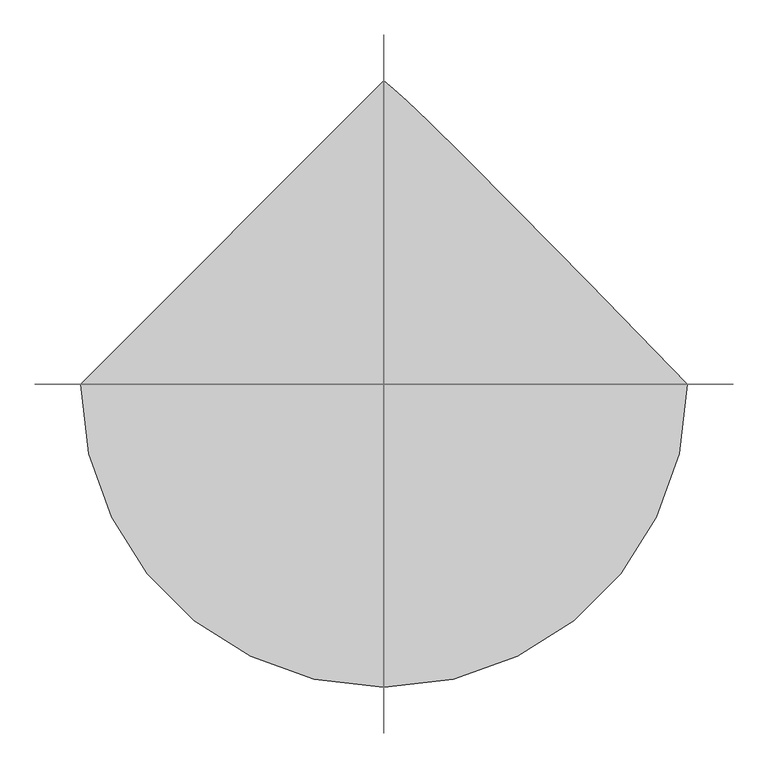
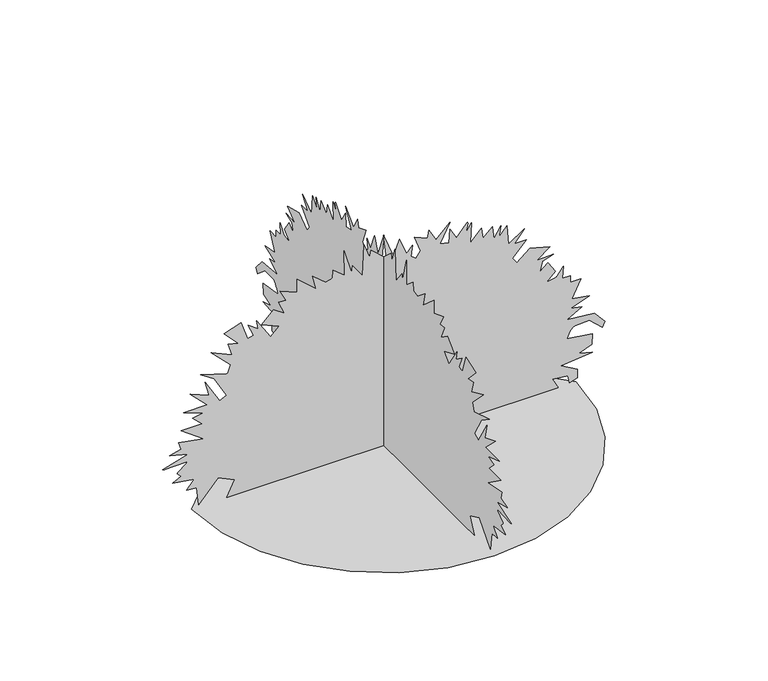
"""IFC4 building model written with IfcOpenShell, lengths in millimetres: geographic element geometry."""

from ifc_helpers import new_model, si_unit, origin, place, context, project, spatial, triangles, source, transform, mapped, element, save


def geographic_element_a9d7c324(model_context):
    return source(origin(), model_context, "Body", "Tessellation", [
        triangles([(-863.8895657, 0.0, 8.03e-05), (-841.0534595, -197.9465477, 8.03e-05), (-776.008956, -379.7280936, 8.03e-05), (-673.9672194, -540.1393415, 8.03e-05), (-540.1393415, -673.9672194, 8.03e-05), (-379.7280936, -776.008956, 8.03e-05), (-197.9465477, -841.0534595, 8.03e-05), (3.78e-05, -863.8895657, 8.03e-05), (197.9468202, -841.0534595, 8.03e-05), (379.7280936, -776.008956, 8.03e-05), (540.1393415, -673.9672194, 8.03e-05), (673.9672194, -540.1393415, 8.03e-05), (776.008956, -379.7280936, 8.03e-05), (841.0534595, -197.9465477, 8.03e-05), (863.8895657, 7.55e-05, 8.03e-05), (583.1449287, 287.9752275, 8.03e-05), (375.0142098, 500.0004035, 8.03e-05), (227.3965669, 648.7311144, 8.03e-05), (128.1887144, 746.8256355, 8.03e-05), (65.288107, 806.9450764, 8.03e-05), (26.592799, 841.7478939, 8.03e-05), (-0.0001133, 863.8895657, 8.03e-05), (-3.9e-06, -706.4477949, 3.2e-06), (1.1e-06, -671.7338528, 73.0758902), (0.0, -744.6339088, 107.8284201), (0.0, -831.4201086, 10.6268143), (0.0, -841.8367693, 93.9425762), (0.0, -886.9646107, 97.4139668), (0.0, -852.2506685, 139.0717801), (0.0, -949.4507675, 152.9579056), (0.0, -911.2646536, 173.7868123), (0.0, -928.6229691, 191.1443284), (2e-07, -926.3202026, 195.0482144), (-1e-07, -885.9451962, 227.4137897), (0.0, -883.4923662, 232.8021236), (3e-07, -987.8563448, 230.2871245), (0.0, -994.5813704, 232.8021236), (0.0, -880.0229559, 267.5168833), (0.0, -963.3369112, 288.3446817), (0.0, -911.2646536, 302.2308073), (0.0, -921.6785528, 336.9474927), (0.0, -810.5923101, 316.1169328), (0.0, -911.2646536, 389.0197503), (0.0, -817.5339649, 389.0197503), (0.0, -859.192396, 430.6781087), (0.0, -810.5923101, 441.0920079), (0.0, -900.8507544, 472.3337056), (0.0, -793.2339947, 472.3337056), (0.0, -869.6062225, 548.7087676), (0.0, -786.2922672, 513.992064), (0.0, -803.6506554, 583.4227098), (0.0, -737.6894926, 472.3337056), (0.0, -706.4477949, 486.2198493), (0.0, -761.992297, 583.4227098), (0.0, -824.4784538, 625.0810318), (0.0, -702.9755505, 586.8949179), (0.0, -689.0894794, 625.0810318), (0.0, -775.8784407, 711.8672316), (0.0, -682.147752, 670.2088732), (0.0, -699.5061401, 725.7533752), (0.0, -654.3755373, 715.339476), (0.0, -716.8616941, 781.2978773), (0.0, -640.4893936, 809.070092), (0.0, -612.7171789, 722.2811308), (0.0, -584.9449279, 729.2256197), (0.0, -609.2449345, 784.7672876), (0.0, -564.1171294, 753.5255899), (7e-07, -571.0587842, 792.0756351), (0.0, -508.5726274, 694.5089161), (0.0, -470.3864771, 732.69503), (0.0, -550.2309857, 767.4117336), (0.0, -494.68652, 819.4839912), (0.0, -446.0864705, 784.7672876), (0.0, -473.8587215, 847.2562059), (0.0, -439.1420179, 843.7840342), (0.0, -466.914269, 895.8562918), (0.0, -390.5419684, 864.6118326), (0.0, -390.5419684, 927.1007509), (0.0, -303.755805, 850.7256889), (0.0, -321.111359, 916.6840902), (0.0, -262.097156, 868.0840044), (0.0, -230.8540775, 875.0284933), (0.0, -227.3821238, 913.2146072), (0.0, -175.3098661, 871.5562489), (0.0, -178.7818199, 989.5869078), (0.0, -144.0667786, 871.5562489), (0.0, -140.5951155, 902.7979465), (0.0, -95.46563, 840.3117897), (0.0, -88.5228488, 986.1146633), (0.0, -64.2222745, 916.6840902), (0.0, -57.2794888, 947.9285494), (0.0, 12.1501214, 885.4423925), (0.0, -1.7355514, 1000.000807), (0.0, 43.393922, 885.4423925), (0.0, 71.1656143, 954.8702042), (0.0, 102.4089744, 875.0284933), (0.0, 130.1809347, 906.270191), (0.0, 123.237881, 857.6701052), (0.0, 144.0670602, 840.3117897), (0.0, 164.8959669, 868.0840044), (0.0, 137.1239975, 940.9868946), (0.0, 196.1393178, 916.6840902), (0.0, 203.0818265, 951.4007938), (0.0, 234.3257406, 895.8562918), (0.0, 296.8113524, 958.3424486), (0.0, 251.6829842, 871.5562489), (0.0, 293.3419058, 861.1423496), (0.0, 296.8113524, 923.6285065), (0.0, 328.0558116, 871.5562489), (0.0, 374.4502908, 928.3341059), (0.0, 377.0003168, 928.1229996), (0.0, 377.7308681, 923.8090914), (0.0, 369.71417, 881.9701481), (0.0, 394.0142129, 920.1563347), (0.0, 390.5419684, 826.425646), (0.0, 439.1448157, 878.4979036), (0.0, 446.0864705, 829.8978905), (0.0, 487.7448289, 868.0840044), (0.0, 494.68652, 809.070092), (0.0, 525.9309792, 861.1423496), (0.0, 518.9865266, 809.070092), (0.0, 553.7032302, 850.7256889), (0.0, 560.644885, 760.4672447), (0.0, 633.5477388, 809.070092), (0.0, 588.417136, 753.5255899), (0.0, 640.4893936, 753.5255899), (0.0, 578.0032368, 687.5671886), (0.0, 598.8310352, 659.7949739), (0.0, 657.8477818, 708.3949871), (0.0, 748.1061533, 684.0950169), (0.0, 689.0894794, 638.9671755), (0.0, 761.992297, 642.4366585), (0.0, 713.3922112, 625.0810318), (0.0, 702.9755505, 579.9504653), (0.0, 737.6922541, 611.1949608), (0.0, 772.4061962, 559.1226668), (0.0, 730.7478378, 520.9365166), (0.0, 775.8784407, 527.8782077), (0.0, 807.1200657, 569.5365661), (0.0, 803.6506554, 513.992064), (0.0, 838.3645975, 513.992064), (0.0, 838.3645975, 482.7504026), (0.0, 886.9646107, 482.7504026), (0.0, 845.3062523, 402.905894), (0.0, 925.1507246, 389.0197503), (0.0, 841.8367693, 357.7752912), (0.0, 890.4368551, 347.3613919), (0.0, 824.4784538, 309.1752417), (0.0, 945.9812845, 298.7613606), (0.0, 994.5813704, 243.216586), (0.0, 984.1674711, 218.9160162), (0.0, 925.1507246, 270.9882739), (0.0, 858.8201077, 269.4702161), (0.0, 850.034016, 265.2193854), (0.0, 842.9201334, 258.6913137), (0.0, 837.1395996, 250.3415872), (0.0, 832.3617662, 240.6254651), (0.0, 828.2534414, 229.9985157), (0.0, 824.4784538, 218.9160162), (0.0, 939.0368683, 201.5587727), (0.0, 935.567458, 152.9579056), (0.0, 876.5507114, 132.1289989), (0.0, 939.0368683, 114.7714828), (0.0, 796.7061665, 100.8856389), (0.0, 869.6090567, 59.2275485), (0.0, 869.6090567, 17.5697919), (0.0, 834.8923531, 7.1553392), (0.0, 827.9506983, 41.8703095), (0.0, 758.5200525, 48.8130952), (0.0, 786.2922672, 0.2123593), (-706.4477949, 0.0001301, 0.0), (-671.7338528, 0.0001207, 73.0758902), (-744.6339088, 0.0001197, 107.8284201), (-831.4201086, 0.0001255, 10.6268143), (-841.8367693, 0.0001206, 93.9425762), (-886.9646107, 0.0001204, 97.4139668), (-852.2506685, 0.0001179, 139.0717801), (-949.4507675, 0.000117, 152.9579056), (-911.2646536, 0.0001158, 173.7868123), (-928.6229691, 0.0001148, 191.1443284), (-926.3202026, 0.0001143, 195.0482144), (-885.9451962, 0.0001127, 227.4137897), (-883.4923662, 0.0001123, 232.8021236), (-987.8563448, 0.0001122, 230.2871245), (-994.5813704, 0.0001123, 232.8021236), (-880.0229559, 0.0001102, 267.5168833), (-963.3369112, 0.000109, 288.3446817), (-911.2646536, 0.0001082, 302.2308073), (-921.6785528, 0.0001061, 336.9474927), (-810.5923101, 0.0001073, 316.1169328), (-911.2646536, 0.000103, 389.0197503), (-817.5339649, 0.000103, 389.0197503), (-859.192396, 0.0001005, 430.6781087), (-810.5923101, 9.99e-05, 441.0920079), (-900.8507544, 9.8e-05, 472.3337056), (-793.2339947, 9.8e-05, 472.3337056), (-869.6062225, 9.35e-05, 548.7060061), (-786.2922672, 9.55e-05, 513.992064), (-803.6506554, 9.14e-05, 583.4227098), (-737.6922541, 9.8e-05, 472.3337056), (-706.4477949, 9.72e-05, 486.2198493), (-761.992297, 9.14e-05, 583.4227098), (-824.4784538, 8.89e-05, 625.0810318), (-702.9755505, 9.12e-05, 586.8949179), (-689.0894794, 8.89e-05, 625.0810318), (-775.8784407, 8.37e-05, 711.8672316), (-682.147752, 8.62e-05, 670.2088732), (-699.5061401, 8.29e-05, 725.7533752), (-654.3755373, 8.35e-05, 715.339476), (-716.8616941, 7.96e-05, 781.2978773), (-640.4893936, 7.79e-05, 809.070092), (-612.7171789, 8.31e-05, 722.2811308), (-584.9449279, 8.27e-05, 729.2256197), (-609.2449345, 7.94e-05, 784.7672876), (-564.1171294, 8.13e-05, 753.5255899), (-571.0587842, 7.83e-05, 792.0756351), (-508.5726274, 8.48e-05, 694.5089161), (-470.3864771, 8.25e-05, 732.69503), (-550.2309857, 8.04e-05, 767.4117336), (-494.68652, 7.73e-05, 819.4839912), (-446.0864705, 7.94e-05, 784.7672876), (-473.8587215, 7.57e-05, 847.2562059), (-439.1448157, 7.59e-05, 843.7840342), (-466.914269, 7.28e-05, 895.8562918), (-390.5419684, 7.46e-05, 864.6118326), (-390.5419684, 7.09e-05, 927.1007509), (-303.755805, 7.55e-05, 850.7256889), (-321.111359, 7.15e-05, 916.6840902), (-262.097156, 7.44e-05, 868.0840044), (-230.8540775, 7.4e-05, 875.0284933), (-227.3824144, 7.17e-05, 913.2146072), (-175.3098661, 7.42e-05, 871.5562489), (-178.7818199, 6.72e-05, 989.5869078), (-144.0670602, 7.42e-05, 871.5562489), (-140.5951155, 7.24e-05, 902.7979465), (-95.4659116, 7.61e-05, 840.3117897), (-88.5228488, 6.74e-05, 986.1146633), (-64.2225516, 7.15e-05, 916.6840902), (-57.2797704, 6.97e-05, 947.9285494), (12.1500101, 7.34e-05, 885.4423925), (-1.7356514, 6.66e-05, 1000.000807), (43.3936449, 7.34e-05, 885.4423925), (71.1656143, 6.93e-05, 954.8702042), (102.4089744, 7.4e-05, 875.0284933), (130.1809347, 7.21e-05, 906.270191), (123.237881, 7.5e-05, 857.6701052), (144.0667786, 7.61e-05, 840.3117897), (164.8956944, 7.44e-05, 868.0840044), (137.1239975, 7.01e-05, 940.9840605), (196.1390453, 7.15e-05, 916.6840902), (203.0818265, 6.95e-05, 951.4007938), (234.3254681, 7.28e-05, 895.8562918), (296.8113524, 6.9e-05, 958.3424486), (251.6829842, 7.42e-05, 871.5562489), (293.3419058, 7.48e-05, 861.1423496), (296.8113524, 7.11e-05, 923.6285065), (328.0558116, 7.42e-05, 871.5562489), (374.4502908, 7.08e-05, 928.3341059), (377.0003168, 7.08e-05, 928.1229996), (377.7280704, 7.11e-05, 923.8090914), (369.71417, 7.36e-05, 881.9701481), (394.0142129, 7.13e-05, 920.1563347), (390.5419684, 7.69e-05, 826.425646), (439.1420179, 7.38e-05, 878.4979036), (446.0864705, 7.67e-05, 829.8978905), (487.7448289, 7.44e-05, 868.0840044), (494.68652, 7.79e-05, 809.070092), (525.9309792, 7.48e-05, 861.1423496), (518.9865266, 7.79e-05, 809.070092), (553.7032302, 7.55e-05, 850.7256889), (560.644885, 8.08e-05, 760.4672447), (633.5477388, 7.79e-05, 809.070092), (588.417136, 8.13e-05, 753.5255899), (640.4893936, 8.13e-05, 753.5255899), (578.0032368, 8.52e-05, 687.5671886), (598.8310352, 8.68e-05, 659.7949739), (657.8477818, 8.39e-05, 708.3949871), (748.1061533, 8.54e-05, 684.0950169), (689.0894794, 8.81e-05, 638.9671755), (761.992297, 8.79e-05, 642.4366585), (713.3922112, 8.89e-05, 625.0810318), (702.9755505, 9.16e-05, 579.9504653), (737.6922541, 8.97e-05, 611.1949608), (772.4061962, 9.28e-05, 559.1226668), (730.7478378, 9.51e-05, 520.9365166), (775.8784407, 9.47e-05, 527.8782077), (807.1200657, 9.22e-05, 569.5365661), (803.6506554, 9.55e-05, 513.992064), (838.3645975, 9.55e-05, 513.992064), (838.3645975, 9.74e-05, 482.7504026), (886.9646107, 9.74e-05, 482.7504026), (845.3062523, 0.0001022, 402.905894), (925.1507246, 0.000103, 389.0197503), (841.8367693, 0.0001048, 357.7752912), (890.4368551, 0.0001055, 347.3613919), (824.4784538, 0.0001077, 309.1752417), (945.9812845, 0.0001084, 298.7613606), (994.5813704, 0.0001117, 243.216586), (984.1674711, 0.0001131, 218.9160162), (925.1507246, 0.00011, 270.9882739), (858.8201077, 0.0001101, 269.4702161), (850.034016, 0.0001104, 265.2193854), (842.9201334, 0.0001107, 258.6913137), (837.1395996, 0.0001112, 250.3415872), (832.3617662, 0.0001118, 240.6254651), (828.2534414, 0.0001125, 229.9985157), (824.4784538, 0.0001131, 218.9160162), (939.0368683, 0.0001142, 201.5585001), (935.567458, 0.000117, 152.9579056), (876.5507114, 0.0001183, 132.1289989), (939.0368683, 0.0001193, 114.7714828), (796.7061665, 0.0001202, 100.8853573), (869.6090567, 0.0001226, 59.2275485), (869.6090567, 0.0001251, 17.5697919), (834.8923531, 0.0001257, 7.1553392), (827.9506983, 0.0001237, 41.8703095), (758.5200525, 0.0001233, 48.8130952), (786.2922672, 0.0001262, 0.2123563)], [[21, 22, 1], [20, 21, 1], [19, 20, 1], [18, 19, 1], [17, 18, 1], [17, 1, 2], [17, 2, 3], [17, 3, 4], [16, 17, 4], [16, 4, 5], [16, 5, 6], [16, 6, 7], [16, 7, 8], [16, 8, 9], [16, 9, 10], [16, 10, 11], [16, 11, 12], [15, 16, 12], [14, 15, 12], [13, 14, 12], [92, 93, 94], [84, 85, 86], [54, 55, 56], [50, 51, 52], [131, 132, 133], [123, 124, 125], [104, 105, 106], [46, 47, 48], [57, 58, 59], [88, 89, 90], [48, 49, 50], [67, 68, 69], [119, 120, 121], [162, 163, 164], [38, 39, 40], [113, 114, 115], [144, 145, 146], [65, 66, 67], [138, 139, 140], [96, 97, 98], [107, 108, 109], [79, 80, 81], [42, 43, 44], [29, 30, 31], [36, 37, 38], [75, 76, 77], [102, 103, 104], [146, 147, 148], [86, 87, 88], [94, 95, 96], [121, 122, 123], [125, 126, 127], [100, 101, 102], [77, 78, 79], [25, 26, 27], [115, 116, 117], [129, 130, 131], [117, 118, 119], [27, 28, 29], [82, 83, 84], [44, 45, 46], [48, 50, 52], [59, 60, 61], [169, 170, 23], [73, 74, 75], [90, 91, 92], [142, 143, 144], [40, 41, 42], [38, 40, 42], [169, 23, 24], [53, 54, 56], [61, 62, 63], [61, 63, 64], [70, 71, 72], [70, 72, 73], [150, 151, 152], [149, 150, 152], [148, 149, 152], [148, 152, 153], [128, 129, 131], [148, 153, 154], [35, 36, 38], [134, 135, 136], [134, 136, 137], [65, 67, 69], [166, 167, 168], [165, 166, 168], [164, 165, 168], [164, 168, 169], [88, 90, 92], [140, 141, 142], [100, 102, 104], [159, 160, 161], [159, 161, 162], [25, 27, 29], [123, 125, 127], [148, 154, 155], [100, 104, 106], [110, 111, 112], [109, 110, 112], [109, 112, 113], [109, 113, 115], [31, 32, 33], [131, 133, 134], [159, 162, 164], [128, 131, 134], [46, 48, 52], [73, 75, 77], [73, 77, 79], [29, 31, 33], [29, 33, 34], [44, 46, 52], [148, 155, 156], [164, 169, 24], [159, 164, 24], [158, 159, 24], [157, 158, 24], [156, 157, 24], [148, 156, 24], [146, 148, 24], [144, 146, 24], [142, 144, 24], [140, 142, 24], [138, 140, 24], [137, 138, 24], [134, 137, 24], [128, 134, 24], [127, 128, 24], [123, 127, 24], [121, 123, 24], [119, 121, 24], [117, 119, 24], [115, 117, 24], [109, 115, 24], [107, 109, 24], [106, 107, 24], [106, 24, 25], [106, 25, 29], [106, 29, 34], [106, 34, 35], [106, 35, 38], [106, 38, 42], [106, 42, 44], [106, 44, 52], [106, 52, 53], [106, 53, 56], [99, 100, 106], [99, 106, 56], [99, 56, 57], [98, 99, 57], [96, 98, 57], [94, 96, 57], [59, 61, 64], [57, 59, 64], [70, 73, 79], [64, 65, 69], [57, 64, 69], [94, 57, 69], [84, 86, 88], [88, 92, 94], [88, 94, 69], [88, 69, 70], [88, 70, 79], [84, 88, 79], [82, 84, 79], [82, 79, 81], [240, 241, 242], [232, 233, 234], [202, 203, 204], [198, 199, 200], [279, 280, 281], [271, 272, 273], [252, 253, 254], [194, 195, 196], [205, 206, 207], [236, 237, 238], [196, 197, 198], [215, 216, 217], [267, 268, 269], [310, 311, 312], [186, 187, 188], [261, 262, 263], [292, 293, 294], [213, 214, 215], [286, 287, 288], [244, 245, 246], [255, 256, 257], [227, 228, 229], [190, 191, 192], [177, 178, 179], [184, 185, 186], [223, 224, 225], [250, 251, 252], [294, 295, 296], [234, 235, 236], [242, 243, 244], [269, 270, 271], [273, 274, 275], [248, 249, 250], [225, 226, 227], [173, 174, 175], [263, 264, 265], [277, 278, 279], [265, 266, 267], [175, 176, 177], [230, 231, 232], [192, 193, 194], [196, 198, 200], [207, 208, 209], [317, 318, 171], [221, 222, 223], [238, 239, 240], [290, 291, 292], [188, 189, 190], [186, 188, 190], [317, 171, 172], [201, 202, 204], [209, 210, 211], [209, 211, 212], [218, 219, 220], [218, 220, 221], [298, 299, 300], [297, 298, 300], [296, 297, 300], [296, 300, 301], [276, 277, 279], [296, 301, 302], [183, 184, 186], [282, 283, 284], [282, 284, 285], [213, 215, 217], [314, 315, 316], [313, 314, 316], [312, 313, 316], [312, 316, 317], [236, 238, 240], [288, 289, 290], [248, 250, 252], [307, 308, 309], [307, 309, 310], [173, 175, 177], [271, 273, 275], [296, 302, 303], [248, 252, 254], [258, 259, 260], [257, 258, 260], [257, 260, 261], [257, 261, 263], [179, 180, 181], [279, 281, 282], [307, 310, 312], [276, 279, 282], [194, 196, 200], [221, 223, 225], [221, 225, 227], [177, 179, 181], [177, 181, 182], [192, 194, 200], [296, 303, 304], [312, 317, 172], [307, 312, 172], [306, 307, 172], [305, 306, 172], [304, 305, 172], [296, 304, 172], [294, 296, 172], [292, 294, 172], [290, 292, 172], [288, 290, 172], [286, 288, 172], [285, 286, 172], [282, 285, 172], [276, 282, 172], [275, 276, 172], [271, 275, 172], [269, 271, 172], [267, 269, 172], [265, 267, 172], [263, 265, 172], [257, 263, 172], [255, 257, 172], [254, 255, 172], [254, 172, 173], [254, 173, 177], [254, 177, 182], [254, 182, 183], [254, 183, 186], [254, 186, 190], [254, 190, 192], [254, 192, 200], [254, 200, 201], [254, 201, 204], [247, 248, 254], [247, 254, 204], [247, 204, 205], [246, 247, 205], [244, 246, 205], [242, 244, 205], [207, 209, 212], [205, 207, 212], [218, 221, 227], [212, 213, 217], [205, 212, 217], [242, 205, 217], [232, 234, 236], [236, 240, 242], [236, 242, 217], [236, 217, 218], [236, 218, 227], [232, 236, 227], [230, 232, 227], [230, 227, 229]], closed=False),
    ])


if __name__ == "__main__":
    model = new_model("IFC4")
    model_context = context("Model", 3, world=origin())
    ifc_project = project(units=[si_unit("LENGTHUNIT", "METRE", prefix="MILLI")], contexts=[model_context])
    site = spatial("IfcSite", under=ifc_project)
    building = spatial("IfcBuilding", under=site)
    placement = place(None, origin())
    geographic_element_shape = geographic_element_a9d7c324(model_context)
    element("IfcGeographicElement", 1, at=placement, inside=building, context=model_context, shape_type="MappedRepresentation", body=[
        mapped(geographic_element_shape, transform((0.0, 0.0, 0.0), x_axis=(1.0, 0.0, 0.0), y_axis=(0.0, 1.0, 0.0), z_axis=(0.0, 0.0, 1.0))),
    ])
    save(model, "model.ifc")
